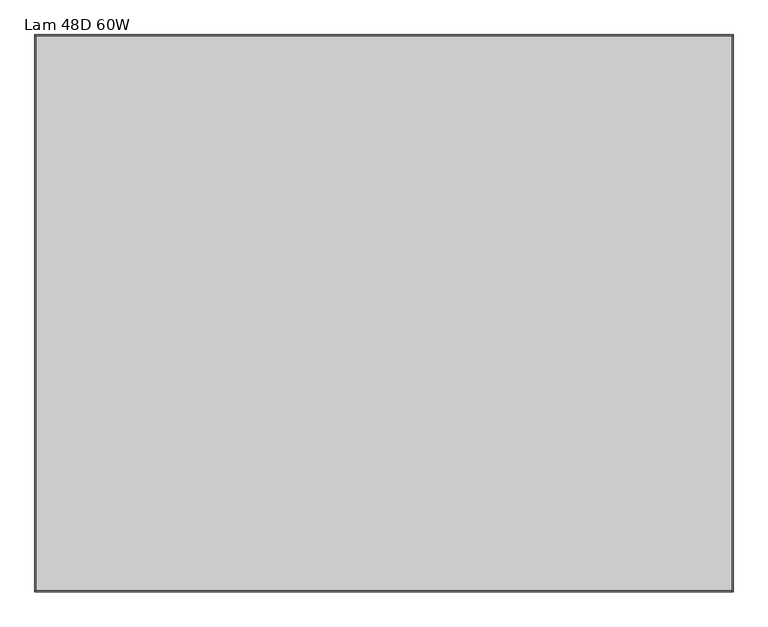
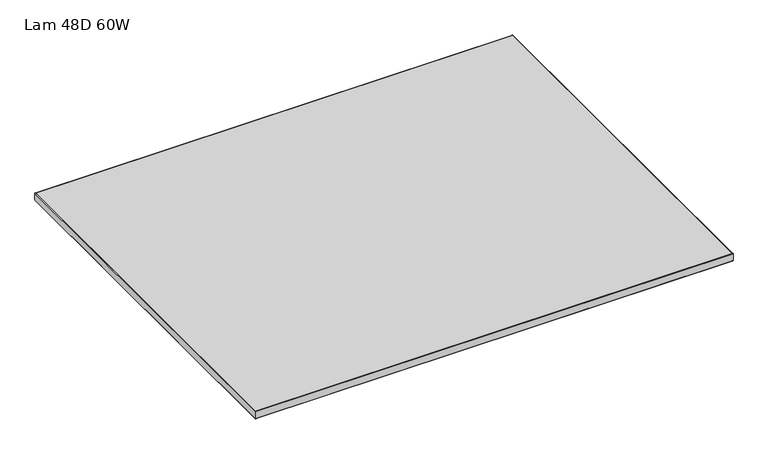
"""IFC4 building model written with IfcOpenShell, lengths in millimetres: furniture geometry, Lam 48D 60W."""

from ifc_helpers import new_model, si_unit, frame, origin, place, context, project, spatial, polyline, ellipse_curve, outline, extrude, source, transform, mapped, element, save
from ifc_brep_helpers import plane_surface, cylinder_surface, advanced_brep


def lam_48d_60w_f3215e59(model_context):
    return source(origin(), model_context, "Body", "SolidModel", [
        advanced_brep(
        [(-397.0, 604.8248, 330.2), (-397.0, 604.8248, 304.8), (1119.3518, 604.8248, 304.8), (1119.3518, 604.8248, 330.2), (1119.3518, -604.8248, 304.8), (1119.3518, -604.8248, 330.2), (-397.0, -604.8248, 304.8), (-397.0, -604.8248, 330.2), (-398.6002, 606.425, 306.4002), (-398.6002, 606.425, 328.5998), (1120.952, 606.425, 328.5998), (1120.952, 606.425, 306.4002), (1120.952, -606.425, 328.5998), (1120.952, -606.425, 306.4002), (-398.6002, -606.425, 328.5998), (-398.6002, -606.425, 306.4002)],
        [
            (0, 1),
            (1, 2),
            (2, 3),
            (3, 0),
            (2, 4),
            (4, 5),
            (5, 3),
            (4, 6),
            (6, 7),
            (7, 5),
            (6, 1),
            (0, 7),
            (8, 9),
            (9, 10),
            (10, 11),
            (11, 8),
            (10, 12),
            (12, 13),
            (13, 11),
            (12, 14),
            (14, 15),
            (15, 13),
            (14, 9),
            (8, 15),
            (9, 0, ellipse_curve(frame((-397.0, 604.8248, 328.5998), z_axis=(0.7071067811865475, 0.7071067811865475, 0.0), x_axis=(-0.7071067811865476, 0.7071067811865474, 0.0)), 2.2630245, 1.6002)),
            (3, 10, ellipse_curve(frame((1119.3518, 604.8248, 328.5998), z_axis=(-0.7071067811865475, 0.7071067811865475, 0.0), x_axis=(-0.7071067811865476, -0.7071067811865474, 0.0)), 2.2630245, 1.6002)),
            (1, 8, ellipse_curve(frame((-397.0, 604.8248, 306.4002), z_axis=(0.7071067811865475, 0.7071067811865475, 0.0), x_axis=(-0.7071067811865476, 0.7071067811865474, 0.0)), 2.2630245, 1.6002)),
            (11, 2, ellipse_curve(frame((1119.3518, 604.8248, 306.4002), z_axis=(-0.7071067811865475, 0.7071067811865475, 0.0), x_axis=(-0.7071067811865476, -0.7071067811865474, 0.0)), 2.2630245, 1.6002)),
            (5, 12, ellipse_curve(frame((1119.3518, -604.8248, 328.5998), z_axis=(0.7071067811865475, 0.7071067811865475, 0.0), x_axis=(-0.7071067811865474, 0.7071067811865476, 0.0)), 2.2630245, 1.6002)),
            (13, 4, ellipse_curve(frame((1119.3518, -604.8248, 306.4002), z_axis=(0.7071067811865475, 0.7071067811865475, 0.0), x_axis=(-0.7071067811865474, 0.7071067811865476, 0.0)), 2.2630245, 1.6002)),
            (7, 14, ellipse_curve(frame((-397.0, -604.8248, 328.5998), z_axis=(0.7071067811865475, -0.7071067811865475, 0.0), x_axis=(0.7071067811865476, 0.7071067811865474, 0.0)), 2.2630245, 1.6002)),
            (15, 6, ellipse_curve(frame((-397.0, -604.8248, 306.4002), z_axis=(0.7071067811865475, -0.7071067811865475, 0.0), x_axis=(0.7071067811865476, 0.7071067811865474, 0.0)), 2.2630245, 1.6002)),
        ],
        [
            plane_surface(frame((-397.0, 604.8248, 304.8), z_axis=(0.0, -1.0, 0.0), x_axis=(1.0, 0.0, 0.0))),
            plane_surface(frame((1119.3518, 604.8248, 304.8), z_axis=(-1.0, 0.0, 0.0), x_axis=(0.0, -1.0, 0.0))),
            plane_surface(frame((1119.3518, -604.8248, 304.8), z_axis=(0.0, 1.0, 0.0), x_axis=(-1.0, 0.0, 0.0))),
            plane_surface(frame((-397.0, -604.8248, 304.8), z_axis=(1.0, 0.0, 0.0), x_axis=(0.0, 1.0, 0.0))),
            plane_surface(frame((-398.6002, 606.425, 328.5998), z_axis=(0.0, 1.0, 0.0), x_axis=(1.0, 0.0, 0.0))),
            plane_surface(frame((1120.952, 606.425, 328.5998), z_axis=(1.0, 0.0, 0.0), x_axis=(0.0, -1.0, 0.0))),
            plane_surface(frame((1120.952, -606.425, 328.5998), z_axis=(0.0, -1.0, 0.0), x_axis=(-1.0, 0.0, 0.0))),
            plane_surface(frame((-398.6002, -606.425, 328.5998), z_axis=(-1.0, 0.0, 0.0), x_axis=(0.0, 1.0, 0.0))),
            cylinder_surface(frame((-397.0, 604.8248, 328.5998), z_axis=(-1.0, 0.0, 0.0), x_axis=(0.0, -1.0, 0.0)), 1.6002),
            cylinder_surface(frame((-397.0, 604.8248, 306.4002), z_axis=(-1.0, 0.0, 0.0), x_axis=(0.0, -1.0, 0.0)), 1.6002),
            cylinder_surface(frame((1119.3518, 604.8248, 328.5998), z_axis=(0.0, 1.0, 0.0), x_axis=(-1.0, 0.0, 0.0)), 1.6002),
            cylinder_surface(frame((1119.3518, 604.8248, 306.4002), z_axis=(0.0, 1.0, 0.0), x_axis=(-1.0, 0.0, 0.0)), 1.6002),
            cylinder_surface(frame((1119.3518, -604.8248, 328.5998), z_axis=(1.0, 0.0, 0.0), x_axis=(0.0, 1.0, 0.0)), 1.6002),
            cylinder_surface(frame((1119.3518, -604.8248, 306.4002), z_axis=(1.0, 0.0, 0.0), x_axis=(0.0, 1.0, 0.0)), 1.6002),
            cylinder_surface(frame((-397.0, -604.8248, 328.5998), z_axis=(0.0, -1.0, 0.0), x_axis=(1.0, 0.0, 0.0)), 1.6002),
            cylinder_surface(frame((-397.0, -604.8248, 306.4002), z_axis=(0.0, -1.0, 0.0), x_axis=(1.0, 0.0, 0.0)), 1.6002),
        ],
        [
            (0, [[1, 2, 3, 4]]),
            (1, [[-3, 5, 6, 7]]),
            (2, [[-6, 8, 9, 10]]),
            (3, [[-9, 11, -1, 12]]),
            (4, [[13, 14, 15, 16]]),
            (5, [[-15, 17, 18, 19]]),
            (6, [[-18, 20, 21, 22]]),
            (7, [[-21, 23, -13, 24]]),
            (8, [[25, -4, 26, -14]]),
            (9, [[27, -16, 28, -2]]),
            (10, [[-26, -7, 29, -17]]),
            (11, [[-28, -19, 30, -5]]),
            (12, [[-29, -10, 31, -20]]),
            (13, [[-30, -22, 32, -8]]),
            (14, [[-31, -12, -25, -23]]),
            (15, [[-32, -24, -27, -11]]),
        ],
    ),
        extrude(outline(polyline([(1119.3518, 604.8248), (1119.3518, -604.8248), (-397.0, -604.8248), (-397.0, 604.8248), (1119.3518, 604.8248)])), frame((0.0, 0.0, 304.8), z_axis=(0.0, 0.0, 1.0), x_axis=(1.0, 0.0, 0.0)), (0.0, 0.0, 1.0), 25.4),
    ])


if __name__ == "__main__":
    model = new_model("IFC4")
    model_context = context("Model", 3, world=origin())
    ifc_project = project(units=[si_unit("LENGTHUNIT", "METRE", prefix="MILLI")], contexts=[model_context])
    site = spatial("IfcSite", under=ifc_project)
    building = spatial("IfcBuilding", under=site)
    placement = place(None, origin())
    lam_48d_60w_shape = lam_48d_60w_f3215e59(model_context)
    element("IfcFurniture", 1, ObjectType="Lam 48D 60W", at=placement, inside=building, context=model_context, shape_type="MappedRepresentation", body=[
        mapped(lam_48d_60w_shape, transform((0.0, 0.0, 0.0), x_axis=(1.0, 0.0, 0.0), y_axis=(0.0, 1.0, 0.0), z_axis=(0.0, 0.0, 1.0))),
    ])
    save(model, "model.ifc")
